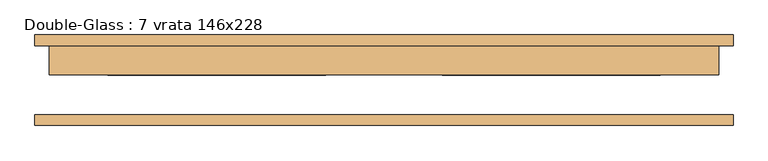
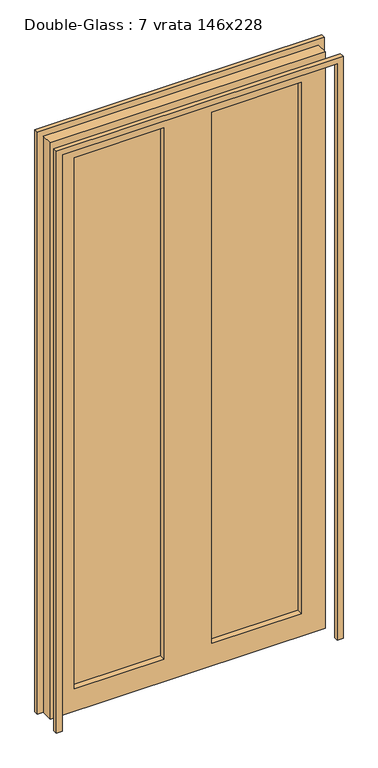
"""IFC4 building model written with IfcOpenShell, lengths in millimetres: door geometry, Double-Glass : 7 vrata 146x228."""

from ifc_helpers import new_model, si_unit, frame, origin, place, context, project, spatial, polyline, outline, extrude, source, transform, mapped, element, save


def double_glass_7_vrata_146x228_2d1e5dcf(model_context):
    return source(origin(), model_context, "Body", "SweptSolid", [
        extrude(outline(polyline([(0.0, 609.6), (2616.2, 609.6), (2616.2, -609.6), (0.0, -609.6), (0.0, -584.2), (2590.8, -584.2), (2590.8, 584.2), (0.0, 584.2), (0.0, 609.6)])), frame((0.0, -76.66875, 0.0), z_axis=(0.0, 1.0, 0.0), x_axis=(0.0, 0.0, 1.0)), (0.0, 0.0, 1.0), 19.05),
        extrude(outline(polyline([(2590.8, 584.2), (0.0, 584.2), (0.0, 609.6), (2616.2, 609.6), (2616.2, -609.6), (0.0, -609.6), (0.0, -584.2), (2590.8, -584.2), (2590.8, 584.2)])), frame((0.0, 62.38125, 0.0), z_axis=(0.0, 1.0, 0.0), x_axis=(0.0, 0.0, 1.0)), (0.0, 0.0, 1.0), 19.05),
        extrude(outline(polyline([(482.6, 36.98125), (101.6, 36.98125), (101.6, 44.125), (482.6, 44.125), (482.6, 36.98125)])), frame((0.0, 0.0, 101.6), z_axis=(0.0, 0.0, 1.0), x_axis=(1.0, 0.0, 0.0)), (0.0, 0.0, 1.0), 2387.6),
        extrude(outline(polyline([(-101.6, 36.98125), (-482.6, 36.98125), (-482.6, 44.125), (-101.6, 44.125), (-101.6, 36.98125)])), frame((0.0, 0.0, 101.6), z_axis=(0.0, 0.0, 1.0), x_axis=(1.0, 0.0, 0.0)), (0.0, 0.0, 1.0), 2387.6),
        extrude(outline(polyline([(2590.8, 584.2), (2590.8, -584.2), (0.0, -584.2), (0.0, 584.2), (2590.8, 584.2)]), holes=[polyline([(2489.2, -101.6), (101.6, -101.6), (101.6, -482.6), (2489.2, -482.6), (2489.2, -101.6)]), polyline([(2489.2, 482.6), (101.6, 482.6), (101.6, 101.6), (2489.2, 101.6), (2489.2, 482.6)])]), frame((0.0, 11.58125, 0.0), z_axis=(0.0, 1.0, 0.0), x_axis=(0.0, 0.0, 1.0)), (0.0, 0.0, 1.0), 50.8),
    ])


if __name__ == "__main__":
    model = new_model("IFC4")
    model_context = context("Model", 3, world=origin())
    ifc_project = project(units=[si_unit("LENGTHUNIT", "METRE", prefix="MILLI")], contexts=[model_context])
    site = spatial("IfcSite", under=ifc_project)
    building = spatial("IfcBuilding", under=site)
    placement = place(None, origin())
    double_glass_7_vrata_146x228_shape = double_glass_7_vrata_146x228_2d1e5dcf(model_context)
    element("IfcDoor", 1, ObjectType="Double-Glass : 7 vrata 146x228", at=placement, inside=building, context=model_context, shape_type="MappedRepresentation", body=[
        mapped(double_glass_7_vrata_146x228_shape, transform((0.0, 0.0, 0.0), x_axis=(1.0, 0.0, 0.0), y_axis=(0.0, 1.0, 0.0), z_axis=(0.0, 0.0, 1.0))),
    ])
    save(model, "model.ifc")
